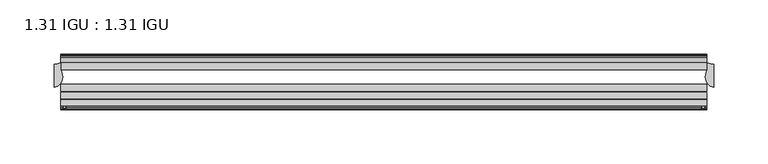
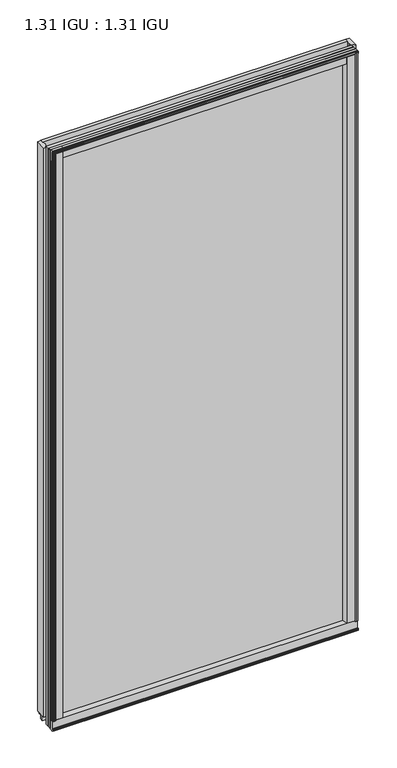
"""IFC4 building model written with IfcOpenShell, lengths in millimetres: plate geometry, 1.31 IGU : 1.31 IGU."""

from ifc_helpers import new_model, si_unit, point, frame, frame_2d, origin, origin_with_axes, place, context, project, spatial, polyline, circle_curve, ellipse_curve, trimmed, segment, composite_curve, outline, extrude, source, transform, mapped, element, save
from ifc_brep_helpers import plane_surface, cylinder_surface, revolved_surface, extruded_surface, advanced_brep


def plate_1_31_igu_1_31_igu_f6ae4255(model_context):
    return source(origin(), model_context, "Body", "SolidModel", [
        extrude(outline(composite_curve([segment(polyline([(293.6995906, -57.6333938), (277.5148437, -57.6333938)]), True, "CONTINUOUS"), segment(trimmed(circle_curve(frame_2d((270.2201146, -57.6547678)), 7.2947605), [point((277.5148437, -57.6333938))], [point((273.7724551, -51.2833938))], True, "CARTESIAN"), True, "CONTINUOUS"), segment(polyline([(273.7724551, -51.2833938), (296.642876, -51.2833938)]), True, "CONTINUOUS"), segment(trimmed(circle_curve(frame_2d((296.642876, -52.0707938)), 0.7874), [point((296.642876, -51.2833938))], [point((297.4244069, -51.9748338))], False, "CARTESIAN"), True, "CONTINUOUS"), segment(polyline([(297.4244069, -51.9748338), (298.1191906, -57.6333938), (296.1887906, -57.6333938), (295.7315906, -59.624458), (296.7329525, -59.3561439), (296.9761906, -60.263921), (294.9441906, -60.8083938), (292.9121906, -60.263921), (293.1554288, -59.3561439), (294.1567906, -59.624458), (293.6995906, -57.6333938)]), True, "CONTINUOUS")], self_intersect=False)), origin_with_axes(), (0.0, 0.0, 1.0), 1174.75),
        extrude(outline(composite_curve([segment(polyline([(-277.8125, -57.6333937), (-293.9972469, -57.6333937), (-294.4544469, -59.624458), (-293.453085, -59.3561439), (-293.2098469, -60.263921), (-295.2418469, -60.8083937), (-297.2738469, -60.263921), (-297.0306088, -59.3561439), (-296.0292469, -59.624458), (-296.4864469, -57.6333937), (-298.4168469, -57.6333937), (-297.7220631, -51.9748338)]), True, "CONTINUOUS"), segment(trimmed(circle_curve(frame_2d((-296.9405323, -52.0707937)), 0.7874), [point((-297.7220631, -51.9748338))], [point((-296.9405323, -51.2833937))], False, "CARTESIAN"), True, "CONTINUOUS"), segment(polyline([(-296.9405323, -51.2833937), (-274.0701114, -51.2833937)]), True, "CONTINUOUS"), segment(trimmed(circle_curve(frame_2d((-270.5177708, -57.6547678)), 7.2947605), [point((-274.0701114, -51.2833937))], [point((-277.8125, -57.6333937))], True, "CARTESIAN"), True, "CONTINUOUS")], self_intersect=False)), origin_with_axes(), (0.0, 0.0, 1.0), 1174.75),
        extrude(outline(polyline([(-9.7543937, -6.8579998), (-10.4009552, -9.2709998), (-11.2596632, -9.0409097), (-10.8839895, -7.6388763), (-13.1833937, -8.3819998), (-13.1833937, -11.7850089), (-17.9585937, -10.1533914), (-17.9585937, 0.6595133), (-13.1833937, -0.5079998), (-13.1833937, -5.4609998), (-10.8839895, -6.0771233), (-11.2596632, -4.6750899), (-10.4009552, -4.4449998), (-9.7543937, -6.8579998)])), frame((-298.45, 0.0, 0.0), z_axis=(1.0, 0.0, 0.0), x_axis=(0.0, 1.0, 0.0)), (0.0, 0.0, 1.0), 596.6023438),
        extrude(outline(composite_curve([segment(polyline([(-51.9748338, -19.930016), (-57.6333937, -20.6247998), (-57.6333937, -18.6943998), (-59.624458, -18.2371998), (-59.3561439, -19.2385617), (-60.263921, -19.4817998), (-60.8083937, -17.4497998), (-60.263921, -15.4177998), (-59.3561439, -15.6610379), (-59.624458, -16.6623998), (-57.6333937, -16.2051998), (-57.6333937, 0.0127002)]), True, "CONTINUOUS"), segment(trimmed(circle_curve(frame_2d((-58.1588233, 7.9620141)), 7.9666598), [point((-57.6333937, 0.0127002))], [point((-51.2833937, 3.9375717))], True, "CARTESIAN"), True, "CONTINUOUS"), segment(polyline([(-51.2833937, 3.9375717), (-51.2833937, -19.1484852)]), True, "CONTINUOUS"), segment(trimmed(circle_curve(frame_2d((-52.0707937, -19.1484852)), 0.7874), [point((-51.2833937, -19.1484852))], [point((-51.9748338, -19.930016))], False, "CARTESIAN"), True, "CONTINUOUS")], self_intersect=False)), frame((-298.45, 0.0, 0.0), z_axis=(1.0, 0.0, 0.0), x_axis=(0.0, 1.0, 0.0)), (0.0, 0.0, 1.0), 596.6023438),
        extrude(outline(polyline([(-17.9585937, 1165.8533914), (-13.1833937, 1167.4850089), (-13.1833937, 1164.0819998), (-10.8839895, 1163.3388763), (-11.2596632, 1164.7409097), (-10.4009552, 1164.9709998), (-9.7543937, 1162.5579998), (-10.4009552, 1160.1449998), (-11.2596632, 1160.3750899), (-10.8839895, 1161.7771233), (-13.1833937, 1161.1609998), (-13.1833937, 1156.2079998), (-17.9585937, 1155.0404867), (-17.9585937, 1165.8533914)])), frame((-298.45, 0.0, 0.0), z_axis=(1.0, 0.0, 0.0), x_axis=(0.0, 1.0, 0.0)), (0.0, 0.0, 1.0), 596.6023438),
        extrude(outline(composite_curve([segment(trimmed(circle_curve(frame_2d((-52.0707937, 1174.8484852)), 0.7874), [point((-51.9748338, 1175.630016))], [point((-51.2833937, 1174.8484852))], False, "CARTESIAN"), True, "CONTINUOUS"), segment(polyline([(-51.2833937, 1174.8484852), (-51.2833937, 1151.7624283)]), True, "CONTINUOUS"), segment(trimmed(circle_curve(frame_2d((-58.1588233, 1147.7379859)), 7.9666598), [point((-51.2833937, 1151.7624283))], [point((-57.6333937, 1155.6872998))], True, "CARTESIAN"), True, "CONTINUOUS"), segment(polyline([(-57.6333937, 1155.6872998), (-57.6333937, 1171.9051998), (-59.624458, 1172.3623998), (-59.3561439, 1171.3610379), (-60.263921, 1171.1177998), (-60.8083937, 1173.1497998), (-60.263921, 1175.1817998), (-59.3561439, 1174.9385617), (-59.624458, 1173.9371998), (-57.6333937, 1174.3943998), (-57.6333937, 1176.3247998), (-51.9748338, 1175.630016)]), True, "CONTINUOUS")], self_intersect=False)), frame((-298.45, 0.0, 0.0), z_axis=(1.0, 0.0, 0.0), x_axis=(0.0, 1.0, 0.0)), (0.0, 0.0, 1.0), 596.6023438),
        advanced_brep(
        [(-298.4372998, -24.3085938, 1174.75), (-298.4372998, -17.9585937, 1174.75), (-304.7872998, -18.9011397, 1174.75), (-304.7872998, -40.2563586, 1174.75), (-296.9784173, -31.0522937, 1174.75), (-298.4372998, -24.3085938, 0.0), (-296.9784173, -31.0522937, 0.0), (-304.7872998, -40.2563586, 0.0), (-304.7872998, -18.9011397, 0.0), (-298.4372998, -17.9585937, 0.0)],
        [
            (0, 1),
            (1, 2, circle_curve(frame((-304.7872998, 2.9603377, 1174.75), z_axis=(0.0, 0.0, -1.0), x_axis=(0.0, 1.0, 0.0)), 21.8614773)),
            (2, 3),
            (3, 4, ellipse_curve(frame((-304.7872998, -31.0522937, 1174.75), z_axis=(0.0, 0.0, 1.0), x_axis=(0.0, -1.0, 0.0)), 9.2040648, 7.8088825)),
            (4, 0, circle_curve(frame((-313.2942711, -31.0522937, 1174.75), z_axis=(0.0, 0.0, 1.0), x_axis=(0.0, 1.0, 0.0)), 16.3158538)),
            (5, 6, circle_curve(frame((-313.2942711, -31.0522937, 0.0), z_axis=(0.0, 0.0, -1.0), x_axis=(0.0, 1.0, 0.0)), 16.3158538)),
            (6, 7, ellipse_curve(frame((-304.7872998, -31.0522937, 0.0), z_axis=(0.0, 0.0, -1.0), x_axis=(0.0, -1.0, 0.0)), 9.2040648, 7.8088825)),
            (7, 8),
            (8, 9, circle_curve(frame((-304.7872998, 2.9603377, 0.0), z_axis=(0.0, 0.0, 1.0), x_axis=(0.0, 1.0, 0.0)), 21.8614773)),
            (9, 5),
            (0, 5),
            (9, 1),
            (8, 2),
            (7, 3),
            (6, 4),
        ],
        [
            plane_surface(frame((-273.05, -11.6085937, 1174.75), z_axis=(0.0, 0.0, 1.0), x_axis=(0.0, 1.0, 0.0))),
            plane_surface(frame((-273.05, -11.6085937, 0.0), z_axis=(0.0, 0.0, -1.0), x_axis=(0.0, 1.0, 0.0))),
            plane_surface(frame((-298.4372998, -24.3085938, 1174.75), z_axis=(1.0, 0.0, 0.0), x_axis=(0.0, 0.0, -1.0))),
            revolved_surface(polyline([(-304.7872998, 24.821815, 0.0), (-304.7872998, 24.821815, 1174.75)]), (-304.7872998, 2.9603377, 1174.75), (0.0, 0.0, -1.0)),
            plane_surface(frame((-304.7872998, -18.9011397, 1174.75), z_axis=(-1.0, 0.0, 0.0), x_axis=(0.0, 0.0, -1.0))),
            extruded_surface(trimmed(ellipse_curve(frame((-304.7872998, -31.0522937, 0.0), z_axis=(0.0, 0.0, 1.0), x_axis=(0.0, -1.0, 0.0)), 9.2040648, 7.8088825), [point((-304.7872998, -40.2563586, 0.0))], [point((-296.9784173, -31.0522937, 0.0))], True, "CARTESIAN"), (0.0, 0.0, 1174.75), 1174.75),
            cylinder_surface(frame((-313.2942711, -31.0522937, 1174.75), z_axis=(0.0, 0.0, 1.0), x_axis=(0.0, 1.0, 0.0)), 16.3158538),
        ],
        [
            (0, [[1, 2, 3, 4, 5]]),
            (1, [[6, 7, 8, 9, 10]]),
            (2, [[-1, 11, -10, 12]]),
            (3, [[-2, -12, -9, 13]]),
            (4, [[-3, -13, -8, 14]]),
            (5, [[-4, -14, -7, 15]]),
            (6, [[-5, -15, -6, -11]]),
        ],
    ),
        advanced_brep(
        [(304.8, -18.9011397, 1174.75), (298.45, -17.9585938, 1174.75), (298.45, -24.3085938, 1174.75), (296.9911175, -31.0522938, 1174.75), (304.8, -40.2563586, 1174.75), (304.8, -18.9011397, 0.0), (304.8, -40.2563586, 0.0), (296.9911175, -31.0522938, 0.0), (298.45, -24.3085938, 0.0), (298.45, -17.9585938, 0.0)],
        [
            (0, 1, circle_curve(frame((304.8, 2.9603377, 1174.75), z_axis=(0.0, 0.0, -1.0), x_axis=(0.0, 1.0, 0.0)), 21.8614773)),
            (1, 2),
            (2, 3, circle_curve(frame((313.3069713, -31.0522938, 1174.75), z_axis=(0.0, 0.0, 1.0), x_axis=(0.0, 1.0, 0.0)), 16.3158538)),
            (3, 4, ellipse_curve(frame((304.8, -31.0522938, 1174.75), z_axis=(0.0, 0.0, 1.0), x_axis=(0.0, -1.0, 0.0)), 9.2040648, 7.8088825)),
            (4, 0),
            (5, 6),
            (6, 7, ellipse_curve(frame((304.8, -31.0522938, 0.0), z_axis=(0.0, 0.0, -1.0), x_axis=(0.0, -1.0, 0.0)), 9.2040648, 7.8088825)),
            (7, 8, circle_curve(frame((313.3069713, -31.0522938, 0.0), z_axis=(0.0, 0.0, -1.0), x_axis=(0.0, 1.0, 0.0)), 16.3158538)),
            (8, 9),
            (9, 5, circle_curve(frame((304.8, 2.9603377, 0.0), z_axis=(0.0, 0.0, 1.0), x_axis=(0.0, 1.0, 0.0)), 21.8614773)),
            (0, 5),
            (9, 1),
            (8, 2),
            (7, 3),
            (6, 4),
        ],
        [
            plane_surface(frame((273.05, -11.6085938, 1174.75), z_axis=(0.0, 0.0, 1.0), x_axis=(0.0, 1.0, 0.0))),
            plane_surface(frame((273.05, -11.6085938, 0.0), z_axis=(0.0, 0.0, -1.0), x_axis=(0.0, 1.0, 0.0))),
            revolved_surface(polyline([(304.8, 24.821815, 0.0), (304.8, 24.821815, 1174.75)]), (304.8, 2.9603377, 1174.75), (0.0, 0.0, -1.0)),
            plane_surface(frame((298.45, -17.9585938, 1174.75), z_axis=(-1.0, 0.0, 0.0), x_axis=(0.0, 0.0, -1.0))),
            cylinder_surface(frame((313.3069713, -31.0522938, 1174.75), z_axis=(0.0, 0.0, 1.0), x_axis=(0.0, 1.0, 0.0)), 16.3158538),
            extruded_surface(trimmed(ellipse_curve(frame((304.8, -31.0522938, 0.0), z_axis=(0.0, 0.0, 1.0), x_axis=(0.0, -1.0, 0.0)), 9.2040648, 7.8088825), [point((296.9911175, -31.0522938, 0.0))], [point((304.8, -40.2563586, 0.0))], True, "CARTESIAN"), (0.0, 0.0, 1174.75), 1174.75),
            plane_surface(frame((304.8, -40.2563586, 1174.75), z_axis=(1.0, 0.0, 0.0), x_axis=(0.0, 0.0, -1.0))),
        ],
        [
            (0, [[1, 2, 3, 4, 5]]),
            (1, [[6, 7, 8, 9, 10]]),
            (2, [[-1, 11, -10, 12]]),
            (3, [[-2, -12, -9, 13]]),
            (4, [[-3, -13, -8, 14]]),
            (5, [[-4, -14, -7, 15]]),
            (6, [[-5, -15, -6, -11]]),
        ],
    ),
        extrude(outline(polyline([(298.1523437, -17.9585937), (298.1523437, -24.3085937), (-298.45, -24.3085937), (-298.45, -17.9585937), (298.1523437, -17.9585937)])), frame((0.0, 0.0, -19.0372998), z_axis=(0.0, 0.0, 1.0), x_axis=(1.0, 0.0, 0.0)), (0.0, 0.0, 1.0), 1193.7872998),
        extrude(outline(polyline([(-298.45, -44.1459937), (-298.45, -37.7959937), (298.1523437, -37.7959937), (298.1523437, -44.1459937), (-298.45, -44.1459937)])), frame((0.0, 0.0, -19.0372998), z_axis=(0.0, 0.0, 1.0), x_axis=(1.0, 0.0, 0.0)), (0.0, 0.0, 1.0), 1193.7872998),
        extrude(outline(polyline([(-298.45, -51.2833937), (-298.45, -44.9333937), (298.1523437, -44.9333937), (298.1523437, -51.2833937), (-298.45, -51.2833937)])), frame((0.0, 0.0, -19.0372998), z_axis=(0.0, 0.0, 1.0), x_axis=(1.0, 0.0, 0.0)), (0.0, 0.0, 1.0), 1193.7872998),
    ])


if __name__ == "__main__":
    model = new_model("IFC4")
    model_context = context("Model", 3, world=origin())
    ifc_project = project(units=[si_unit("LENGTHUNIT", "METRE", prefix="MILLI")], contexts=[model_context])
    site = spatial("IfcSite", under=ifc_project)
    building = spatial("IfcBuilding", under=site)
    placement = place(None, origin())
    plate_1_31_igu_1_31_igu_shape = plate_1_31_igu_1_31_igu_f6ae4255(model_context)
    element("IfcPlate", 1, ObjectType="1.31 IGU : 1.31 IGU", at=placement, inside=building, context=model_context, shape_type="MappedRepresentation", body=[
        mapped(plate_1_31_igu_1_31_igu_shape, transform((0.0, 0.0, 0.0), x_axis=(1.0, 0.0, 0.0), y_axis=(0.0, 1.0, 0.0), z_axis=(0.0, 0.0, 1.0))),
    ])
    save(model, "model.ifc")
